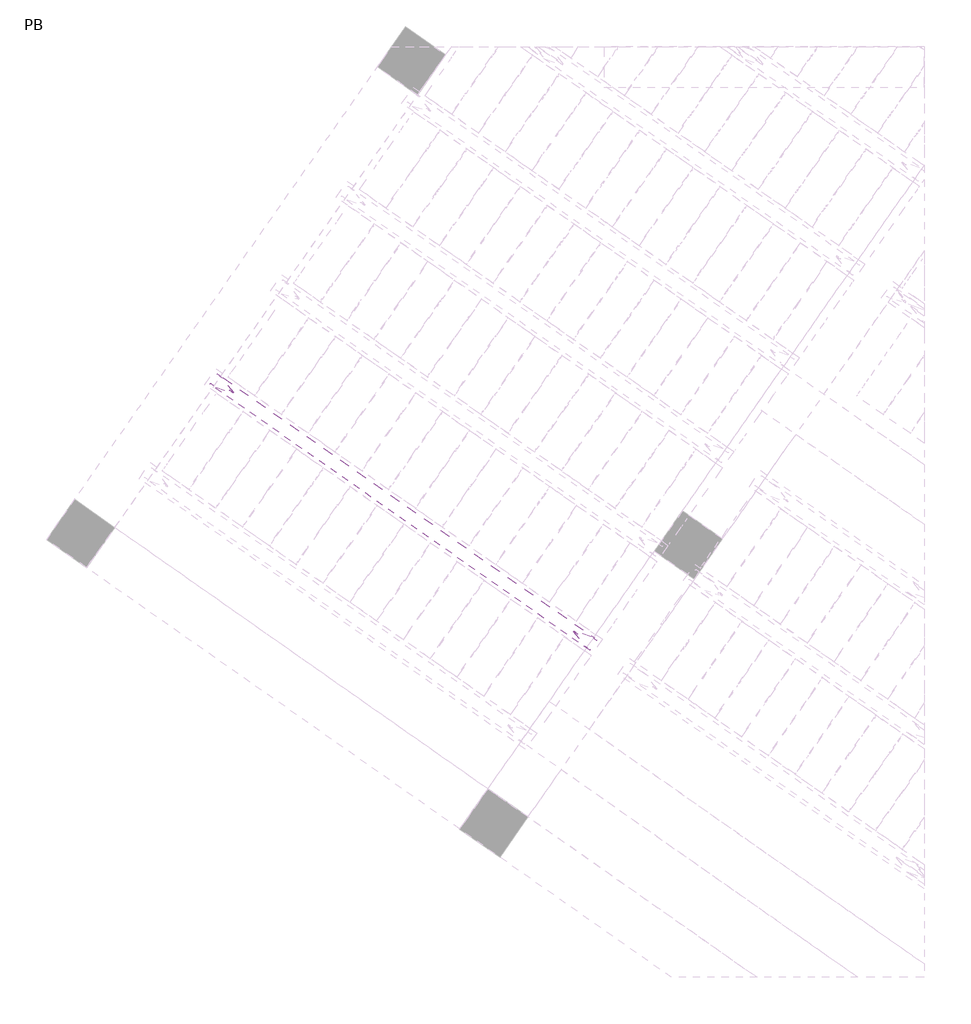
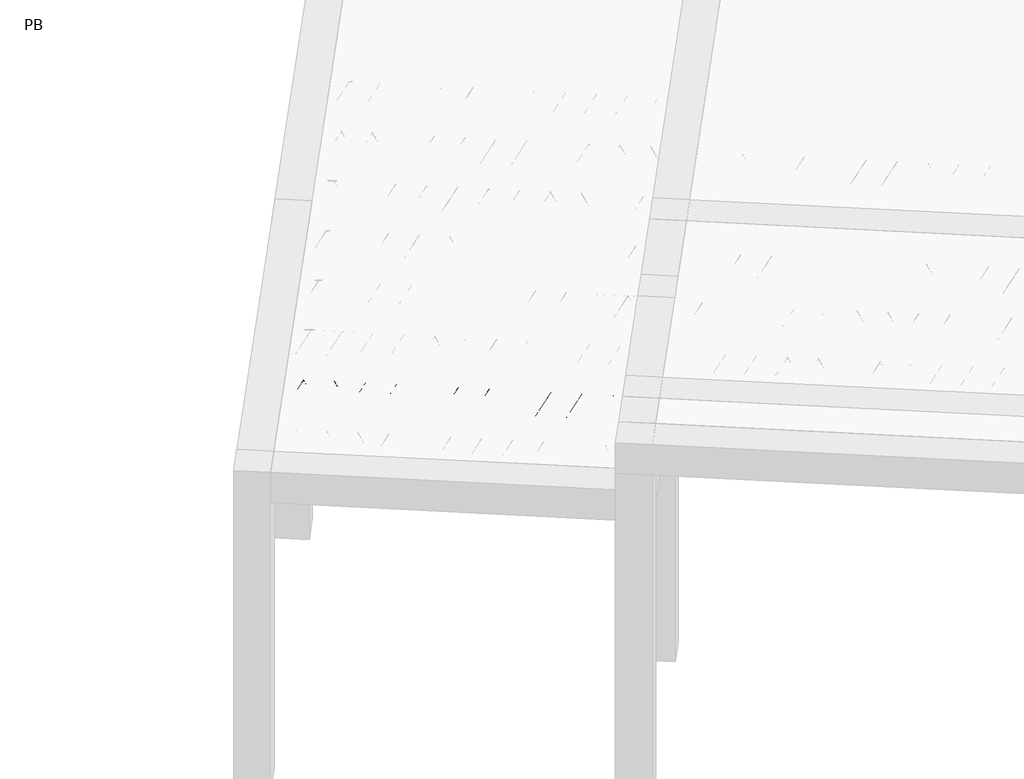
# One storey, part 13 of 56: 1 beam.
"""IFC4 building model written with IfcOpenShell, lengths in millimetres."""

from ifc_helpers import new_model, si_unit, point, frame, origin, origin_2d, place, context, project, spatial, circle_curve, trimmed, segment, composite_curve, outline, extrude, element, save

model = new_model("IFC4")

# Units and contexts
model_context = context("Model", 3, world=origin())
ifc_project = project(units=[si_unit("LENGTHUNIT", "METRE", prefix="MILLI")], contexts=[model_context])

# Site, building, storey
site = spatial("IfcSite", under=ifc_project)
building = spatial("IfcBuilding", under=site)
storey = spatial("IfcBuildingStorey", under=building, Name="PB", Elevation=95940.0)

# Beam
placement = place(None, origin())
element("IfcBeam", 1, at=placement, inside=storey, context=model_context, shape_type="SweptSolid", body=[
    extrude(outline(composite_curve([segment(trimmed(circle_curve(origin_2d(), 2.5), [point((-2.5, 0.0))], [point((2.5, 0.0))], False, "CARTESIAN"), True, "CONTINUOUS"), segment(trimmed(circle_curve(origin_2d(), 2.5), [point((2.5, 0.0))], [point((-2.5, 0.0))], False, "CARTESIAN"), True, "CONTINUOUS")], self_intersect=False)), frame((1544.0050849, 1622.0154452, 98785.0), z_axis=(-0.8191520442696126, 0.5735764363787226, 0.0), x_axis=(0.5735764363787226, 0.8191520442696126, 0.0)), (0.0, 0.0, 1.0), 2836.744068),
    extrude(outline(composite_curve([segment(trimmed(circle_curve(origin_2d(), 2.5), [point((-2.5, 0.0))], [point((2.4999999, 0.0))], False, "CARTESIAN"), True, "CONTINUOUS"), segment(trimmed(circle_curve(origin_2d(), 2.5), [point((2.4999999, 0.0))], [point((-2.5, 0.0))], False, "CARTESIAN"), True, "CONTINUOUS")], self_intersect=False)), frame((1467.689143, 1719.4003282, 99010.0), z_axis=(-0.8191520442696126, 0.5735764363787226, 0.0), x_axis=(0.5735764363787226, 0.8191520442696126, 0.0)), (0.0, 0.0, 1.0), 2600.0),
    extrude(outline(composite_curve([segment(trimmed(circle_curve(origin_2d(), 2.5), [point((-2.5, 0.0))], [point((2.5, 0.0))], False, "CARTESIAN"), True, "CONTINUOUS"), segment(trimmed(circle_curve(origin_2d(), 2.5), [point((2.5, 0.0))], [point((-2.5, 0.0))], False, "CARTESIAN"), True, "CONTINUOUS")], self_intersect=False)), frame((1508.4767945, 1646.8926219, 98785.0), z_axis=(-0.3145304735701046, 0.38933448886848654, 0.8657304643902053), x_axis=(0.7778747638402499, 0.6284193279813057, 0.0)), (0.0, 0.0, 1.0), 259.8961331),
    extrude(outline(composite_curve([segment(trimmed(circle_curve(origin_2d(), 2.5), [point((2.5, 0.0))], [point((-2.5, 0.0))], False, "CARTESIAN"), True, "CONTINUOUS"), segment(trimmed(circle_curve(origin_2d(), 2.5), [point((-2.5, 0.0))], [point((2.5, 0.0))], False, "CARTESIAN"), True, "CONTINUOUS")], self_intersect=False)), frame((1303.6887835, 1790.286731, 98785.0), z_axis=(0.47343050384693375, -0.16240172737369005, 0.8657304643902051), x_axis=(-0.3244721671091268, -0.9458952440791246, 0.0)), (0.0, 0.0, 1.0), 259.8961331),
    extrude(outline(composite_curve([segment(trimmed(circle_curve(origin_2d(), 2.5), [point((-2.5, 0.0))], [point((2.5, 0.0))], False, "CARTESIAN"), True, "CONTINUOUS"), segment(trimmed(circle_curve(origin_2d(), 2.5), [point((2.5, 0.0))], [point((-2.5, 0.0))], False, "CARTESIAN"), True, "CONTINUOUS")], self_intersect=False)), frame((1303.6887835, 1790.286731, 98785.0), z_axis=(-0.3145304735701046, 0.38933448886848654, 0.8657304643902053), x_axis=(0.7778747638402499, 0.6284193279813057, 0.0)), (0.0, 0.0, 1.0), 259.8961331),
    extrude(outline(composite_curve([segment(trimmed(circle_curve(origin_2d(), 2.5), [point((2.5, 0.0))], [point((-2.5, 0.0))], False, "CARTESIAN"), True, "CONTINUOUS"), segment(trimmed(circle_curve(origin_2d(), 2.5), [point((-2.5, 0.0))], [point((2.5, 0.0))], False, "CARTESIAN"), True, "CONTINUOUS")], self_intersect=False)), frame((1098.9007724, 1933.6808401, 98785.0), z_axis=(0.47343050384693375, -0.16240172737369005, 0.8657304643902051), x_axis=(-0.3244721671091268, -0.9458952440791246, 0.0)), (0.0, 0.0, 1.0), 259.8961331),
    extrude(outline(composite_curve([segment(trimmed(circle_curve(origin_2d(), 2.5), [point((-2.5, 0.0))], [point((2.5, 0.0))], False, "CARTESIAN"), True, "CONTINUOUS"), segment(trimmed(circle_curve(origin_2d(), 2.5), [point((2.5, 0.0))], [point((-2.5, 0.0))], False, "CARTESIAN"), True, "CONTINUOUS")], self_intersect=False)), frame((1098.9007724, 1933.6808401, 98785.0), z_axis=(-0.3145304735701046, 0.38933448886848654, 0.8657304643902053), x_axis=(0.7778747638402499, 0.6284193279813057, 0.0)), (0.0, 0.0, 1.0), 259.8961331),
    extrude(outline(composite_curve([segment(trimmed(circle_curve(origin_2d(), 2.5), [point((2.5, -1e-07))], [point((-2.5, 0.0))], False, "CARTESIAN"), True, "CONTINUOUS"), segment(trimmed(circle_curve(origin_2d(), 2.5), [point((-2.5, 0.0))], [point((2.5, -1e-07))], False, "CARTESIAN"), True, "CONTINUOUS")], self_intersect=False)), frame((894.1127614, 2077.0749492, 98785.0), z_axis=(0.47343050384693375, -0.16240172737369005, 0.8657304643902051), x_axis=(-0.3244721671091268, -0.9458952440791246, 0.0)), (0.0, 0.0, 1.0), 259.8961331),
    extrude(outline(composite_curve([segment(trimmed(circle_curve(origin_2d(), 2.5), [point((-2.5, 0.0))], [point((2.5, 0.0))], False, "CARTESIAN"), True, "CONTINUOUS"), segment(trimmed(circle_curve(origin_2d(), 2.5), [point((2.5, 0.0))], [point((-2.5, 0.0))], False, "CARTESIAN"), True, "CONTINUOUS")], self_intersect=False)), frame((894.1127614, 2077.0749492, 98785.0), z_axis=(-0.3145304735701046, 0.38933448886848654, 0.8657304643902053), x_axis=(0.7778747638402499, 0.6284193279813057, 0.0)), (0.0, 0.0, 1.0), 259.8961331),
    extrude(outline(composite_curve([segment(trimmed(circle_curve(origin_2d(), 2.5), [point((2.5, 0.0))], [point((-2.5, 0.0))], False, "CARTESIAN"), True, "CONTINUOUS"), segment(trimmed(circle_curve(origin_2d(), 2.5), [point((-2.5, 0.0))], [point((2.5, 0.0))], False, "CARTESIAN"), True, "CONTINUOUS")], self_intersect=False)), frame((689.3247503, 2220.4690583, 98785.0), z_axis=(0.47343050384693375, -0.16240172737369005, 0.8657304643902051), x_axis=(-0.3244721671091268, -0.9458952440791246, 0.0)), (0.0, 0.0, 1.0), 259.8961331),
    extrude(outline(composite_curve([segment(trimmed(circle_curve(origin_2d(), 2.5), [point((-2.5, 0.0))], [point((2.5, 0.0))], False, "CARTESIAN"), True, "CONTINUOUS"), segment(trimmed(circle_curve(origin_2d(), 2.5), [point((2.5, 0.0))], [point((-2.5, 0.0))], False, "CARTESIAN"), True, "CONTINUOUS")], self_intersect=False)), frame((689.3247503, 2220.4690583, 98785.0), z_axis=(-0.3145304735701046, 0.38933448886848654, 0.8657304643902053), x_axis=(0.7778747638402499, 0.6284193279813057, 0.0)), (0.0, 0.0, 1.0), 259.8961331),
    extrude(outline(composite_curve([segment(trimmed(circle_curve(origin_2d(), 2.5), [point((2.5, 0.0))], [point((-2.5, 0.0))], False, "CARTESIAN"), True, "CONTINUOUS"), segment(trimmed(circle_curve(origin_2d(), 2.5), [point((-2.5, 0.0))], [point((2.5, 0.0))], False, "CARTESIAN"), True, "CONTINUOUS")], self_intersect=False)), frame((484.5367392, 2363.8631674, 98785.0), z_axis=(0.47343050384693375, -0.16240172737369005, 0.8657304643902051), x_axis=(-0.3244721671091268, -0.9458952440791246, 0.0)), (0.0, 0.0, 1.0), 259.8961331),
    extrude(outline(composite_curve([segment(trimmed(circle_curve(origin_2d(), 2.5), [point((-2.5, -1e-07))], [point((2.5, 0.0))], False, "CARTESIAN"), True, "CONTINUOUS"), segment(trimmed(circle_curve(origin_2d(), 2.5), [point((2.5, 0.0))], [point((-2.5, -1e-07))], False, "CARTESIAN"), True, "CONTINUOUS")], self_intersect=False)), frame((484.5367392, 2363.8631674, 98785.0), z_axis=(-0.3145304735701046, 0.38933448886848654, 0.8657304643902053), x_axis=(0.7778747638402499, 0.6284193279813057, 0.0)), (0.0, 0.0, 1.0), 259.8961331),
    extrude(outline(composite_curve([segment(trimmed(circle_curve(origin_2d(), 2.5), [point((2.5, -1e-07))], [point((-2.5, 0.0))], False, "CARTESIAN"), True, "CONTINUOUS"), segment(trimmed(circle_curve(origin_2d(), 2.5), [point((-2.5, 0.0))], [point((2.5, -1e-07))], False, "CARTESIAN"), True, "CONTINUOUS")], self_intersect=False)), frame((279.7487282, 2507.2572765, 98785.0), z_axis=(0.47343050384693375, -0.16240172737369005, 0.8657304643902051), x_axis=(-0.3244721671091268, -0.9458952440791246, 0.0)), (0.0, 0.0, 1.0), 259.8961331),
    extrude(outline(composite_curve([segment(trimmed(circle_curve(origin_2d(), 2.5), [point((-2.5000001, 0.0))], [point((2.5, 0.0))], False, "CARTESIAN"), True, "CONTINUOUS"), segment(trimmed(circle_curve(origin_2d(), 2.5), [point((2.5, 0.0))], [point((-2.5000001, 0.0))], False, "CARTESIAN"), True, "CONTINUOUS")], self_intersect=False)), frame((279.7487282, 2507.2572765, 98785.0), z_axis=(-0.3145304735701046, 0.38933448886848654, 0.8657304643902053), x_axis=(0.7778747638402499, 0.6284193279813057, 0.0)), (0.0, 0.0, 1.0), 259.8961331),
    extrude(outline(composite_curve([segment(trimmed(circle_curve(origin_2d(), 2.5), [point((2.5000001, 0.0))], [point((-2.5, 0.0))], False, "CARTESIAN"), True, "CONTINUOUS"), segment(trimmed(circle_curve(origin_2d(), 2.5), [point((-2.5, 0.0))], [point((2.5000001, 0.0))], False, "CARTESIAN"), True, "CONTINUOUS")], self_intersect=False)), frame((74.9607171, 2650.6513856, 98785.0), z_axis=(0.47343050384693375, -0.16240172737369005, 0.8657304643902051), x_axis=(-0.3244721671091268, -0.9458952440791246, 0.0)), (0.0, 0.0, 1.0), 259.8961331),
    extrude(outline(composite_curve([segment(trimmed(circle_curve(origin_2d(), 2.5), [point((-2.5, -1e-07))], [point((2.5, 0.0))], False, "CARTESIAN"), True, "CONTINUOUS"), segment(trimmed(circle_curve(origin_2d(), 2.5), [point((2.5, 0.0))], [point((-2.5, -1e-07))], False, "CARTESIAN"), True, "CONTINUOUS")], self_intersect=False)), frame((74.9607171, 2650.6513856, 98785.0), z_axis=(-0.3145304735701046, 0.38933448886848654, 0.8657304643902053), x_axis=(0.7778747638402499, 0.6284193279813057, 0.0)), (0.0, 0.0, 1.0), 259.8961331),
    extrude(outline(composite_curve([segment(trimmed(circle_curve(origin_2d(), 2.5), [point((2.5000001, 0.0))], [point((-2.5, 0.0))], False, "CARTESIAN"), True, "CONTINUOUS"), segment(trimmed(circle_curve(origin_2d(), 2.5), [point((-2.5, 0.0))], [point((2.5000001, 0.0))], False, "CARTESIAN"), True, "CONTINUOUS")], self_intersect=False)), frame((-129.827294, 2794.0454947, 98785.0), z_axis=(0.47343050384693375, -0.16240172737369005, 0.8657304643902051), x_axis=(-0.3244721671091268, -0.9458952440791246, 0.0)), (0.0, 0.0, 1.0), 259.8961331),
    extrude(outline(composite_curve([segment(trimmed(circle_curve(origin_2d(), 2.5), [point((-2.5, -1e-07))], [point((2.5, 0.0))], False, "CARTESIAN"), True, "CONTINUOUS"), segment(trimmed(circle_curve(origin_2d(), 2.5), [point((2.5, 0.0))], [point((-2.5, -1e-07))], False, "CARTESIAN"), True, "CONTINUOUS")], self_intersect=False)), frame((-129.827294, 2794.0454947, 98785.0), z_axis=(-0.3145304735701046, 0.38933448886848654, 0.8657304643902053), x_axis=(0.7778747638402499, 0.6284193279813057, 0.0)), (0.0, 0.0, 1.0), 259.8961331),
    extrude(outline(composite_curve([segment(trimmed(circle_curve(origin_2d(), 2.5), [point((2.5, -1e-07))], [point((-2.5000001, 0.0))], False, "CARTESIAN"), True, "CONTINUOUS"), segment(trimmed(circle_curve(origin_2d(), 2.5), [point((-2.5000001, 0.0))], [point((2.5, -1e-07))], False, "CARTESIAN"), True, "CONTINUOUS")], self_intersect=False)), frame((-334.615305, 2937.4396037, 98785.0), z_axis=(0.47343050384693375, -0.16240172737369005, 0.8657304643902051), x_axis=(-0.3244721671091268, -0.9458952440791246, 0.0)), (0.0, 0.0, 1.0), 259.8961331),
    extrude(outline(composite_curve([segment(trimmed(circle_curve(origin_2d(), 2.5), [point((-2.5000001, 1e-07))], [point((2.5, 1e-07))], False, "CARTESIAN"), True, "CONTINUOUS"), segment(trimmed(circle_curve(origin_2d(), 2.5), [point((2.5, 1e-07))], [point((-2.5000001, 1e-07))], False, "CARTESIAN"), True, "CONTINUOUS")], self_intersect=False)), frame((-334.615305, 2937.4396037, 98785.0), z_axis=(-0.3145304735701046, 0.38933448886848654, 0.8657304643902053), x_axis=(0.7778747638402499, 0.6284193279813057, 0.0)), (0.0, 0.0, 1.0), 259.8961331),
    extrude(outline(composite_curve([segment(trimmed(circle_curve(origin_2d(), 2.5), [point((2.5, 0.0))], [point((-2.5000001, 0.0))], False, "CARTESIAN"), True, "CONTINUOUS"), segment(trimmed(circle_curve(origin_2d(), 2.5), [point((-2.5000001, 0.0))], [point((2.5, 0.0))], False, "CARTESIAN"), True, "CONTINUOUS")], self_intersect=False)), frame((-539.4033161, 3080.8337128, 98785.0), z_axis=(0.47343050384693375, -0.16240172737369005, 0.8657304643902051), x_axis=(-0.3244721671091268, -0.9458952440791246, 0.0)), (0.0, 0.0, 1.0), 259.8961331),
    extrude(outline(composite_curve([segment(trimmed(circle_curve(origin_2d(), 2.5), [point((-2.5, 0.0))], [point((2.5, 1e-07))], False, "CARTESIAN"), True, "CONTINUOUS"), segment(trimmed(circle_curve(origin_2d(), 2.5), [point((2.5, 1e-07))], [point((-2.5, 0.0))], False, "CARTESIAN"), True, "CONTINUOUS")], self_intersect=False)), frame((-539.4033161, 3080.8337128, 98785.0), z_axis=(-0.3145304735701046, 0.38933448886848654, 0.8657304643902053), x_axis=(0.7778747638402499, 0.6284193279813057, 0.0)), (0.0, 0.0, 1.0), 259.8961331),
    extrude(outline(composite_curve([segment(trimmed(circle_curve(origin_2d(), 2.5), [point((2.5, 0.0))], [point((-2.5, 0.0))], False, "CARTESIAN"), True, "CONTINUOUS"), segment(trimmed(circle_curve(origin_2d(), 2.5), [point((-2.5, 0.0))], [point((2.5, 0.0))], False, "CARTESIAN"), True, "CONTINUOUS")], self_intersect=False)), frame((-744.1913272, 3224.2278219, 98785.0), z_axis=(0.47343050384693375, -0.16240172737369005, 0.8657304643902051), x_axis=(-0.3244721671091268, -0.9458952440791246, 0.0)), (0.0, 0.0, 1.0), 259.8961331),
    extrude(outline(composite_curve([segment(trimmed(circle_curve(origin_2d(), 2.5), [point((-2.5, 0.0))], [point((2.5, 0.0))], False, "CARTESIAN"), True, "CONTINUOUS"), segment(trimmed(circle_curve(origin_2d(), 2.5), [point((2.5, 0.0))], [point((-2.5, 0.0))], False, "CARTESIAN"), True, "CONTINUOUS")], self_intersect=False)), frame((1585.3025883, 1680.9943924, 98785.0), z_axis=(-0.8191520442696126, 0.5735764363787226, 0.0), x_axis=(0.5735764363787226, 0.8191520442696126, 0.0)), (0.0, 0.0, 1.0), 2836.744068),
    extrude(outline(composite_curve([segment(trimmed(circle_curve(origin_2d(), 2.5), [point((-2.5, 1e-07))], [point((2.5, 0.0))], False, "CARTESIAN"), True, "CONTINUOUS"), segment(trimmed(circle_curve(origin_2d(), 2.5), [point((2.5, 0.0))], [point((-2.5, 1e-07))], False, "CARTESIAN"), True, "CONTINUOUS")], self_intersect=False)), frame((1549.774298, 1705.8715691, 98785.0), z_axis=(-0.47343050384693375, 0.16240172737369005, 0.8657304643902051), x_axis=(0.3244721671091268, 0.9458952440791246, 0.0)), (0.0, 0.0, 1.0), 259.8961331),
    extrude(outline(composite_curve([segment(trimmed(circle_curve(origin_2d(), 2.5), [point((2.5, 0.0))], [point((-2.5, 0.0))], False, "CARTESIAN"), True, "CONTINUOUS"), segment(trimmed(circle_curve(origin_2d(), 2.5), [point((-2.5, 0.0))], [point((2.5, 0.0))], False, "CARTESIAN"), True, "CONTINUOUS")], self_intersect=False)), frame((1344.9862869, 1849.2656782, 98785.0), z_axis=(0.3145304735701046, -0.38933448886848654, 0.8657304643902053), x_axis=(-0.7778747638402499, -0.6284193279813057, 0.0)), (0.0, 0.0, 1.0), 259.8961331),
    extrude(outline(composite_curve([segment(trimmed(circle_curve(origin_2d(), 2.5), [point((-2.5, 0.0))], [point((2.5, 0.0))], False, "CARTESIAN"), True, "CONTINUOUS"), segment(trimmed(circle_curve(origin_2d(), 2.5), [point((2.5, 0.0))], [point((-2.5, 0.0))], False, "CARTESIAN"), True, "CONTINUOUS")], self_intersect=False)), frame((1344.9862869, 1849.2656782, 98785.0), z_axis=(-0.47343050384693375, 0.16240172737369005, 0.8657304643902051), x_axis=(0.3244721671091268, 0.9458952440791246, 0.0)), (0.0, 0.0, 1.0), 259.8961331),
    extrude(outline(composite_curve([segment(trimmed(circle_curve(origin_2d(), 2.5), [point((2.5, 1e-07))], [point((-2.5000001, 1e-07))], False, "CARTESIAN"), True, "CONTINUOUS"), segment(trimmed(circle_curve(origin_2d(), 2.5), [point((-2.5000001, 1e-07))], [point((2.5, 1e-07))], False, "CARTESIAN"), True, "CONTINUOUS")], self_intersect=False)), frame((1140.1982758, 1992.6597873, 98785.0), z_axis=(0.3145304735701046, -0.38933448886848654, 0.8657304643902053), x_axis=(-0.7778747638402499, -0.6284193279813057, 0.0)), (0.0, 0.0, 1.0), 259.8961331),
    extrude(outline(composite_curve([segment(trimmed(circle_curve(origin_2d(), 2.5), [point((-2.5, 0.0))], [point((2.5, -1e-07))], False, "CARTESIAN"), True, "CONTINUOUS"), segment(trimmed(circle_curve(origin_2d(), 2.5), [point((2.5, -1e-07))], [point((-2.5, 0.0))], False, "CARTESIAN"), True, "CONTINUOUS")], self_intersect=False)), frame((1140.1982758, 1992.6597873, 98785.0), z_axis=(-0.47343050384693375, 0.16240172737369005, 0.8657304643902051), x_axis=(0.3244721671091268, 0.9458952440791246, 0.0)), (0.0, 0.0, 1.0), 259.8961331),
    extrude(outline(composite_curve([segment(trimmed(circle_curve(origin_2d(), 2.5), [point((2.5, 1e-07))], [point((-2.5, 0.0))], False, "CARTESIAN"), True, "CONTINUOUS"), segment(trimmed(circle_curve(origin_2d(), 2.5), [point((-2.5, 0.0))], [point((2.5, 1e-07))], False, "CARTESIAN"), True, "CONTINUOUS")], self_intersect=False)), frame((935.4102648, 2136.0538964, 98785.0), z_axis=(0.3145304735701046, -0.38933448886848654, 0.8657304643902053), x_axis=(-0.7778747638402499, -0.6284193279813057, 0.0)), (0.0, 0.0, 1.0), 259.8961331),
    extrude(outline(composite_curve([segment(trimmed(circle_curve(origin_2d(), 2.5), [point((-2.5, 0.0))], [point((2.5, 0.0))], False, "CARTESIAN"), True, "CONTINUOUS"), segment(trimmed(circle_curve(origin_2d(), 2.5), [point((2.5, 0.0))], [point((-2.5, 0.0))], False, "CARTESIAN"), True, "CONTINUOUS")], self_intersect=False)), frame((935.4102648, 2136.0538964, 98785.0), z_axis=(-0.47343050384693375, 0.16240172737369005, 0.8657304643902051), x_axis=(0.3244721671091268, 0.9458952440791246, 0.0)), (0.0, 0.0, 1.0), 259.8961331),
    extrude(outline(composite_curve([segment(trimmed(circle_curve(origin_2d(), 2.5), [point((2.5, 1e-07))], [point((-2.5, 0.0))], False, "CARTESIAN"), True, "CONTINUOUS"), segment(trimmed(circle_curve(origin_2d(), 2.5), [point((-2.5, 0.0))], [point((2.5, 1e-07))], False, "CARTESIAN"), True, "CONTINUOUS")], self_intersect=False)), frame((730.6222537, 2279.4480055, 98785.0), z_axis=(0.3145304735701046, -0.38933448886848654, 0.8657304643902053), x_axis=(-0.7778747638402499, -0.6284193279813057, 0.0)), (0.0, 0.0, 1.0), 259.8961331),
    extrude(outline(composite_curve([segment(trimmed(circle_curve(origin_2d(), 2.5), [point((-2.5000001, 0.0))], [point((2.5, 0.0))], False, "CARTESIAN"), True, "CONTINUOUS"), segment(trimmed(circle_curve(origin_2d(), 2.5), [point((2.5, 0.0))], [point((-2.5000001, 0.0))], False, "CARTESIAN"), True, "CONTINUOUS")], self_intersect=False)), frame((730.6222537, 2279.4480055, 98785.0), z_axis=(-0.47343050384693375, 0.16240172737369005, 0.8657304643902051), x_axis=(0.3244721671091268, 0.9458952440791246, 0.0)), (0.0, 0.0, 1.0), 259.8961331),
    extrude(outline(composite_curve([segment(trimmed(circle_curve(origin_2d(), 2.5), [point((2.5, 1e-07))], [point((-2.5000001, 1e-07))], False, "CARTESIAN"), True, "CONTINUOUS"), segment(trimmed(circle_curve(origin_2d(), 2.5), [point((-2.5000001, 1e-07))], [point((2.5, 1e-07))], False, "CARTESIAN"), True, "CONTINUOUS")], self_intersect=False)), frame((525.8342426, 2422.8421146, 98785.0), z_axis=(0.3145304735701046, -0.38933448886848654, 0.8657304643902053), x_axis=(-0.7778747638402499, -0.6284193279813057, 0.0)), (0.0, 0.0, 1.0), 259.8961331),
    extrude(outline(composite_curve([segment(trimmed(circle_curve(origin_2d(), 2.5), [point((-2.5000001, 0.0))], [point((2.5, -1e-07))], False, "CARTESIAN"), True, "CONTINUOUS"), segment(trimmed(circle_curve(origin_2d(), 2.5), [point((2.5, -1e-07))], [point((-2.5000001, 0.0))], False, "CARTESIAN"), True, "CONTINUOUS")], self_intersect=False)), frame((525.8342426, 2422.8421146, 98785.0), z_axis=(-0.47343050384693375, 0.16240172737369005, 0.8657304643902051), x_axis=(0.3244721671091268, 0.9458952440791246, 0.0)), (0.0, 0.0, 1.0), 259.8961331),
    extrude(outline(composite_curve([segment(trimmed(circle_curve(origin_2d(), 2.5), [point((2.5, 0.0))], [point((-2.5, -1e-07))], False, "CARTESIAN"), True, "CONTINUOUS"), segment(trimmed(circle_curve(origin_2d(), 2.5), [point((-2.5, -1e-07))], [point((2.5, 0.0))], False, "CARTESIAN"), True, "CONTINUOUS")], self_intersect=False)), frame((321.0462316, 2566.2362236, 98785.0), z_axis=(0.3145304735701046, -0.38933448886848654, 0.8657304643902053), x_axis=(-0.7778747638402499, -0.6284193279813057, 0.0)), (0.0, 0.0, 1.0), 259.8961331),
    extrude(outline(composite_curve([segment(trimmed(circle_curve(origin_2d(), 2.5), [point((-2.5, 0.0))], [point((2.5000001, 0.0))], False, "CARTESIAN"), True, "CONTINUOUS"), segment(trimmed(circle_curve(origin_2d(), 2.5), [point((2.5000001, 0.0))], [point((-2.5, 0.0))], False, "CARTESIAN"), True, "CONTINUOUS")], self_intersect=False)), frame((321.0462316, 2566.2362236, 98785.0), z_axis=(-0.47343050384693375, 0.16240172737369005, 0.8657304643902051), x_axis=(0.3244721671091268, 0.9458952440791246, 0.0)), (0.0, 0.0, 1.0), 259.8961331),
    extrude(outline(composite_curve([segment(trimmed(circle_curve(origin_2d(), 2.5), [point((2.5, 0.0))], [point((-2.5, -1e-07))], False, "CARTESIAN"), True, "CONTINUOUS"), segment(trimmed(circle_curve(origin_2d(), 2.5), [point((-2.5, -1e-07))], [point((2.5, 0.0))], False, "CARTESIAN"), True, "CONTINUOUS")], self_intersect=False)), frame((116.2582205, 2709.6303327, 98785.0), z_axis=(0.3145304735701046, -0.38933448886848654, 0.8657304643902053), x_axis=(-0.7778747638402499, -0.6284193279813057, 0.0)), (0.0, 0.0, 1.0), 259.8961331),
    extrude(outline(composite_curve([segment(trimmed(circle_curve(origin_2d(), 2.5), [point((-2.5, 0.0))], [point((2.5000001, 0.0))], False, "CARTESIAN"), True, "CONTINUOUS"), segment(trimmed(circle_curve(origin_2d(), 2.5), [point((2.5000001, 0.0))], [point((-2.5, 0.0))], False, "CARTESIAN"), True, "CONTINUOUS")], self_intersect=False)), frame((116.2582205, 2709.6303327, 98785.0), z_axis=(-0.47343050384693375, 0.16240172737369005, 0.8657304643902051), x_axis=(0.3244721671091268, 0.9458952440791246, 0.0)), (0.0, 0.0, 1.0), 259.8961331),
    extrude(outline(composite_curve([segment(trimmed(circle_curve(origin_2d(), 2.5), [point((2.5, 0.0))], [point((-2.5000001, 0.0))], False, "CARTESIAN"), True, "CONTINUOUS"), segment(trimmed(circle_curve(origin_2d(), 2.5), [point((-2.5000001, 0.0))], [point((2.5, 0.0))], False, "CARTESIAN"), True, "CONTINUOUS")], self_intersect=False)), frame((-88.5297906, 2853.0244418, 98785.0), z_axis=(0.3145304735701046, -0.38933448886848654, 0.8657304643902053), x_axis=(-0.7778747638402499, -0.6284193279813057, 0.0)), (0.0, 0.0, 1.0), 259.8961331),
    extrude(outline(composite_curve([segment(trimmed(circle_curve(origin_2d(), 2.5), [point((-2.5, 0.0))], [point((2.5, -1e-07))], False, "CARTESIAN"), True, "CONTINUOUS"), segment(trimmed(circle_curve(origin_2d(), 2.5), [point((2.5, -1e-07))], [point((-2.5, 0.0))], False, "CARTESIAN"), True, "CONTINUOUS")], self_intersect=False)), frame((-88.5297906, 2853.0244418, 98785.0), z_axis=(-0.47343050384693375, 0.16240172737369005, 0.8657304643902051), x_axis=(0.3244721671091268, 0.9458952440791246, 0.0)), (0.0, 0.0, 1.0), 259.8961331),
    extrude(outline(composite_curve([segment(trimmed(circle_curve(origin_2d(), 2.5), [point((2.5, 0.0))], [point((-2.5, -1e-07))], False, "CARTESIAN"), True, "CONTINUOUS"), segment(trimmed(circle_curve(origin_2d(), 2.5), [point((-2.5, -1e-07))], [point((2.5, 0.0))], False, "CARTESIAN"), True, "CONTINUOUS")], self_intersect=False)), frame((-293.3178016, 2996.4185509, 98785.0), z_axis=(0.3145304735701046, -0.38933448886848654, 0.8657304643902053), x_axis=(-0.7778747638402499, -0.6284193279813057, 0.0)), (0.0, 0.0, 1.0), 259.8961331),
    extrude(outline(composite_curve([segment(trimmed(circle_curve(origin_2d(), 2.5), [point((-2.5, 0.0))], [point((2.5, 0.0))], False, "CARTESIAN"), True, "CONTINUOUS"), segment(trimmed(circle_curve(origin_2d(), 2.5), [point((2.5, 0.0))], [point((-2.5, 0.0))], False, "CARTESIAN"), True, "CONTINUOUS")], self_intersect=False)), frame((-293.3178016, 2996.4185509, 98785.0), z_axis=(-0.47343050384693375, 0.16240172737369005, 0.8657304643902051), x_axis=(0.3244721671091268, 0.9458952440791246, 0.0)), (0.0, 0.0, 1.0), 259.8961331),
    extrude(outline(composite_curve([segment(trimmed(circle_curve(origin_2d(), 2.5), [point((2.5, 0.0))], [point((-2.5, 0.0))], False, "CARTESIAN"), True, "CONTINUOUS"), segment(trimmed(circle_curve(origin_2d(), 2.5), [point((-2.5, 0.0))], [point((2.5, 0.0))], False, "CARTESIAN"), True, "CONTINUOUS")], self_intersect=False)), frame((-498.1058127, 3139.81266, 98785.0), z_axis=(0.3145304735701046, -0.38933448886848654, 0.8657304643902053), x_axis=(-0.7778747638402499, -0.6284193279813057, 0.0)), (0.0, 0.0, 1.0), 259.8961331),
    extrude(outline(composite_curve([segment(trimmed(circle_curve(origin_2d(), 2.5), [point((-2.5, 0.0))], [point((2.5, 0.0))], False, "CARTESIAN"), True, "CONTINUOUS"), segment(trimmed(circle_curve(origin_2d(), 2.5), [point((2.5, 0.0))], [point((-2.5, 0.0))], False, "CARTESIAN"), True, "CONTINUOUS")], self_intersect=False)), frame((-498.1058127, 3139.81266, 98785.0), z_axis=(-0.47343050384693375, 0.16240172737369005, 0.8657304643902051), x_axis=(0.3244721671091268, 0.9458952440791246, 0.0)), (0.0, 0.0, 1.0), 259.8961331),
    extrude(outline(composite_curve([segment(trimmed(circle_curve(origin_2d(), 2.5), [point((2.5, 0.0))], [point((-2.5000001, 1e-07))], False, "CARTESIAN"), True, "CONTINUOUS"), segment(trimmed(circle_curve(origin_2d(), 2.5), [point((-2.5000001, 1e-07))], [point((2.5, 0.0))], False, "CARTESIAN"), True, "CONTINUOUS")], self_intersect=False)), frame((-702.8938238, 3283.2067691, 98785.0), z_axis=(0.3145304735701046, -0.38933448886848654, 0.8657304643902053), x_axis=(-0.7778747638402499, -0.6284193279813057, 0.0)), (0.0, 0.0, 1.0), 259.8961331),
])

save(model, "model.ifc")
